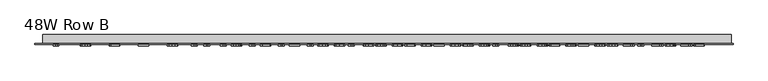
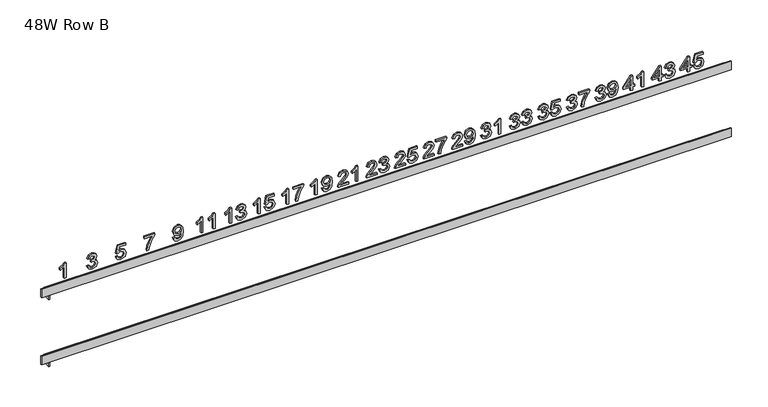
"""IFC4 building model written with IfcOpenShell, lengths in millimetres: furniture geometry, 48W Row B."""

import ifcopenshell
import ifcopenshell.guid

model = None  # the IFC model being written
_history = None  # IfcOwnerHistory: only IFC2X3 demands one
_inside = {}  # id of a spatial element -> (the spatial element, [elements in it])
_under = {}  # id of a project, library or spatial element -> (it, [spatial elements below it])
_declared = {}  # id of a project -> (the project, [libraries it declares])
_typed = {}  # id of a type object -> (the type object, [elements of that type])
_made_of = {}  # id of a material, layer set ... -> (it, [elements and type objects made of it])


def new_model(schema):
    """Start an empty IFC model of exactly this schema.

    Asked for "IFC4X3", IfcOpenShell would pick the latest addendum, in which some entities
    have other attributes; the version numbers below select the first issue.
    IFC2X3 requires an IfcOwnerHistory on every rooted entity: one is made here for all.
    """
    global model, _history
    if schema == "IFC4X3":
        model = ifcopenshell.file(schema_version=(4, 3, 0, 0))
    else:
        model = ifcopenshell.file(schema=schema)
    _inside.clear()
    _under.clear()
    _declared.clear()
    _typed.clear()
    _made_of.clear()
    _history = None
    if model.schema == "IFC2X3":
        org = make("IfcOrganization", Name="unknown")
        user = make(
            "IfcPersonAndOrganization",
            ThePerson=make("IfcPerson", FamilyName="unknown"),
            TheOrganization=org,
        )
        app = make(
            "IfcApplication",
            ApplicationDeveloper=org,
            Version="unknown",
            ApplicationFullName="unknown",
            ApplicationIdentifier="unknown",
        )
        _history = make(
            "IfcOwnerHistory",
            OwningUser=user,
            OwningApplication=app,
            ChangeAction="ADDED",
            CreationDate=0,
        )
    return model


def make(cls, **values):
    """One entity of the class cls with the attributes given. An attribute that is None is left unset."""
    return model.create_entity(
        cls, **{name: value for name, value in values.items() if value is not None}
    )


def rooted(cls, **values):
    """An entity with a GlobalId (a new one), such as an element, a storey or a relation."""
    return make(cls, GlobalId=ifcopenshell.guid.new(), OwnerHistory=_history, **values)


def si_unit(unit_type, name, prefix=None):
    """IfcSIUnit, for example si_unit("LENGTHUNIT", "METRE", prefix="MILLI")."""
    return make("IfcSIUnit", UnitType=unit_type, Prefix=prefix, Name=name)


def assignment(units):
    """IfcUnitAssignment: the units of a project."""
    return None if units is None else make("IfcUnitAssignment", Units=units)


def point(xyz):
    """IfcCartesianPoint."""
    return None if xyz is None else make("IfcCartesianPoint", Coordinates=xyz)


def direction(xyz):
    """IfcDirection."""
    return None if xyz is None else make("IfcDirection", DirectionRatios=xyz)


def frame(location, z_axis=None, x_axis=None):
    """IfcAxis2Placement3D, a coordinate frame: its origin and axes. An axis left out is left unset."""
    return make(
        "IfcAxis2Placement3D",
        Location=point(location),
        Axis=direction(z_axis),
        RefDirection=direction(x_axis),
    )


def origin():
    """The frame at (0, 0, 0) with its axes left unset."""
    return frame((0.0, 0.0, 0.0))


def place(relative_to, where):
    """IfcLocalPlacement: puts the frame where relative to a parent placement (None: the world)."""
    return make(
        "IfcLocalPlacement", PlacementRelTo=relative_to, RelativePlacement=where
    )


def context(
    kind, dimensions, precision=None, world=None, true_north=None, identifier=None
):
    """IfcGeometricRepresentationContext, for example the 3D "Model" context."""
    return make(
        "IfcGeometricRepresentationContext",
        ContextIdentifier=identifier,
        ContextType=kind,
        CoordinateSpaceDimension=dimensions,
        Precision=precision,
        WorldCoordinateSystem=world,
        TrueNorth=true_north,
    )


def project(units=None, contexts=None):
    """IfcProject with its units and contexts."""
    return rooted(
        "IfcProject",
        Name="project",
        RepresentationContexts=contexts,
        UnitsInContext=assignment(units),
    )


def spatial(cls, under=None, at=None, **own):
    """A site, building, storey or space (cls), placed at a placement, below another one or the project."""
    s = rooted(cls, ObjectPlacement=at, **own)
    if under is not None:
        _under.setdefault(under.id(), (under, []))[1].append(s)
    return s


def polyline(points):
    """IfcPolyline through the points."""
    return make("IfcPolyline", Points=[point(p) for p in points])


def outline(outer, holes=None, kind="AREA"):
    """IfcArbitraryClosedProfileDef: a profile drawn as a closed curve; with holes, ...WithVoids."""
    if holes is None:
        return make("IfcArbitraryClosedProfileDef", ProfileType=kind, OuterCurve=outer)
    return make(
        "IfcArbitraryProfileDefWithVoids",
        ProfileType=kind,
        OuterCurve=outer,
        InnerCurves=holes,
    )


def extrude(swept, where, along, depth):
    """IfcExtrudedAreaSolid: the profile swept, set in the frame where, extruded along a direction by depth."""
    return make(
        "IfcExtrudedAreaSolid",
        SweptArea=swept,
        Position=where,
        ExtrudedDirection=direction(along),
        Depth=depth,
    )


def faces_of(points, faces, orient=None, outer=None):
    """IfcFace entities. A face is a list of loops; a loop is a list of indices into points, from 0.

    orient and outer hold one flag for each loop. By default every Orientation is true, the
    first loop of a face is its IfcFaceOuterBound and the others are IfcFaceBound.
    """
    made = []
    for i, loops in enumerate(faces):
        bounds = []
        for j, loop in enumerate(loops):
            is_outer = j == 0 if outer is None else outer[i][j]
            bounds.append(
                make(
                    "IfcFaceOuterBound" if is_outer else "IfcFaceBound",
                    Bound=make("IfcPolyLoop", Polygon=[points[k] for k in loop]),
                    Orientation=True if orient is None else orient[i][j],
                )
            )
        made.append(make("IfcFace", Bounds=bounds))
    return made


def faceted_brep(points, faces, orient=None, outer=None, voids=None):
    """IfcFacetedBrep: a solid bounded by flat faces; with voids (closed shells), ...WithVoids."""
    shared = [point(p) for p in points]
    hull = make("IfcClosedShell", CfsFaces=faces_of(shared, faces, orient, outer))
    if voids is None:
        return make("IfcFacetedBrep", Outer=hull)
    return make(
        "IfcFacetedBrepWithVoids",
        Outer=hull,
        Voids=[
            make(cls, CfsFaces=faces_of(shared, fs, o, b)) for cls, fs, o, b in voids
        ],
    )


def shape(context_of_items, identifier, shape_type, items):
    """IfcShapeRepresentation: the items that make up one representation, for example the "Body"."""
    return make(
        "IfcShapeRepresentation",
        ContextOfItems=context_of_items,
        RepresentationIdentifier=identifier,
        RepresentationType=shape_type,
        Items=items,
    )


def source(mapping_origin, context_of_items, identifier, shape_type, items):
    """IfcRepresentationMap: a shape defined once, which mapped items show again and again."""
    return make(
        "IfcRepresentationMap",
        MappingOrigin=mapping_origin,
        MappedRepresentation=shape(context_of_items, identifier, shape_type, items),
    )


def transform(
    local_origin,
    x_axis=None,
    y_axis=None,
    z_axis=None,
    scale=None,
    scale2=None,
    scale3=None,
    uniform=True,
):
    """IfcCartesianTransformationOperator3D, or its non-uniform kind. x_axis, y_axis, z_axis: its Axis1, 2, 3."""
    if uniform:
        return make(
            "IfcCartesianTransformationOperator3D",
            Axis1=direction(x_axis),
            Axis2=direction(y_axis),
            LocalOrigin=point(local_origin),
            Scale=scale,
            Axis3=direction(z_axis),
        )
    return make(
        "IfcCartesianTransformationOperator3DnonUniform",
        Axis1=direction(x_axis),
        Axis2=direction(y_axis),
        LocalOrigin=point(local_origin),
        Scale=scale,
        Axis3=direction(z_axis),
        Scale2=scale2,
        Scale3=scale3,
    )


def mapped(mapping_source, mapping_target):
    """IfcMappedItem: shows the shape of a source again, moved by a transform."""
    return make(
        "IfcMappedItem", MappingSource=mapping_source, MappingTarget=mapping_target
    )


def made_of(thing, what):
    """Note that an element or type object is made of a material, layer set ...; save() writes the relation."""
    if what is not None:
        _made_of.setdefault(what.id(), (what, []))[1].append(thing)
    return thing


def element(
    cls,
    number,
    at=None,
    inside=None,
    cuts=None,
    type_object=None,
    material=None,
    context=None,
    identifier="Body",
    shape_type=None,
    held_by="IfcProductDefinitionShape",
    body=None,
    shapes=None,
    **own,
):
    """One element of the class cls, such as IfcWall. Its Tag is "e" and its number.

    at: its placement. inside: the storey or other place that contains it. cuts: it is an
    opening in that element (IfcRelVoidsElement). A single representation is given by context,
    identifier, shape_type and body (its items); several are given by shapes. held_by: the class
    of the entity that holds the representations. save() writes the other relations.
    """
    e = rooted(cls, Tag="e%d" % number, ObjectPlacement=at, **own)
    if body is not None:
        shapes = [shape(context, identifier, shape_type, body)]
    if shapes is not None:
        e.Representation = make(held_by, Representations=shapes)
    if inside is not None:
        _inside.setdefault(inside.id(), (inside, []))[1].append(e)
    if cuts is not None:
        rooted(
            "IfcRelVoidsElement", RelatingBuildingElement=cuts, RelatedOpeningElement=e
        )
    if type_object is not None:
        _typed.setdefault(type_object.id(), (type_object, []))[1].append(e)
    return made_of(e, material)


def aggregate(whole, parts):
    """IfcRelAggregates: a whole, such as a stair, and the parts it consists of."""
    return rooted("IfcRelAggregates", RelatingObject=whole, RelatedObjects=parts)


def save(model, path):
    """Write the relations noted so far, then the file.

    IfcRelAggregates (storeys below a building ...), IfcRelContainedInSpatialStructure (elements
    in a storey), IfcRelDefinesByType, IfcRelAssociatesMaterial and IfcRelDeclares: one each for
    every whole, place, type object, material and project.
    """
    for whole, parts in _under.values():
        aggregate(whole, parts)
    for where, things in _inside.values():
        rooted(
            "IfcRelContainedInSpatialStructure",
            RelatedElements=things,
            RelatingStructure=where,
        )
    for kind, things in _typed.values():
        rooted("IfcRelDefinesByType", RelatedObjects=things, RelatingType=kind)
    for what, things in _made_of.values():
        rooted("IfcRelAssociatesMaterial", RelatedObjects=things, RelatingMaterial=what)
    for by, libraries in _declared.values():
        rooted("IfcRelDeclares", RelatingContext=by, RelatedDefinitions=libraries)
    model.write(path)


def furniture_48w_row_b_2dfe8abe(model_context):
    return source(origin(), model_context, "Body", "SolidModel", [
        extrude(outline(polyline([(2094.8904, 502.8912606), (2094.8904, 506.0807484), (2100.8706897, 506.0807484), (2100.8706897, 509.2702363), (2104.0601776, 509.2702363), (2104.0601776, 506.0807484), (2120.0076168, 506.0807484), (2120.0076168, 503.6886326), (2104.0601776, 491.3293671), (2100.8706897, 491.3293671), (2100.8706897, 502.8912606), (2094.8904, 502.8912606)]), holes=[polyline([(2104.0601776, 502.8912606), (2104.0601776, 495.2539323), (2113.9151967, 502.8912606), (2104.0601776, 502.8912606)])]), frame((0.0, -18.25625, 0.0), z_axis=(0.0, 1.0, 0.0), x_axis=(0.0, 0.0, 1.0)), (0.0, 0.0, 1.0), 2.38125),
        extrude(outline(polyline([(2101.6680617, 512.0610382), (2096.4571113, 514.5497108), (2094.491714, 520.1780355), (2097.550383, 526.80619), (2103.4683781, 528.8058494), (2109.3489963, 526.5850438), (2111.6352112, 521.1311442), (2109.7912885, 516.4652723), (2116.8181289, 517.8295259), (2116.8181289, 527.6097914), (2120.0076168, 527.6097914), (2120.0076168, 515.250526), (2106.8509794, 512.4597241), (2106.4522934, 515.649212), (2107.8913007, 517.4401842), (2108.4457234, 520.2403302), (2107.0565519, 524.2801405), (2103.2690351, 525.6163615), (2099.2105364, 524.1898132), (2097.6812019, 520.1904945), (2098.780703, 516.8577289), (2102.0667477, 515.250526), (2101.6680617, 512.0610382)])), frame((0.0, -18.25625, 0.0), z_axis=(0.0, 1.0, 0.0), x_axis=(0.0, 0.0, 1.0)), (0.0, 0.0, 1.0), 2.38125),
        extrude(outline(polyline([(2094.8904, 456.8537606), (2094.8904, 460.0432484), (2100.8706897, 460.0432484), (2100.8706897, 463.2327363), (2104.0601776, 463.2327363), (2104.0601776, 460.0432484), (2120.0076168, 460.0432484), (2120.0076168, 457.6511326), (2104.0601776, 445.2918671), (2100.8706897, 445.2918671), (2100.8706897, 456.8537606), (2094.8904, 456.8537606)]), holes=[polyline([(2104.0601776, 456.8537606), (2104.0601776, 449.2164323), (2113.9151967, 456.8537606), (2104.0601776, 456.8537606)])]), frame((0.0, -18.25625, 0.0), z_axis=(0.0, 1.0, 0.0), x_axis=(0.0, 0.0, 1.0)), (0.0, 0.0, 1.0), 2.38125),
        extrude(outline(polyline([(2101.6680617, 466.0235382), (2096.4913734, 468.5589318), (2094.491714, 474.1529945), (2096.8339942, 480.3263977), (2102.5401873, 482.7683494), (2106.6890132, 481.5473735), (2108.8693272, 478.0713301), (2110.981117, 480.6877069), (2113.9214261, 481.5722914), (2117.1389466, 480.6409859), (2119.5310625, 477.9498555), (2120.4063028, 474.1031587), (2118.6309043, 469.0323714), (2113.6286411, 466.4222241), (2113.2299551, 469.611712), (2116.2201, 471.1753086), (2117.2168149, 474.2152892), (2116.2294442, 477.217893), (2113.7345421, 478.3828036), (2110.9188223, 476.7756007), (2110.0404673, 472.6454631), (2106.8509794, 472.2903834), (2107.1998297, 474.5267626), (2105.894756, 478.1523132), (2102.5962525, 479.5788615), (2099.0952912, 478.1398543), (2097.6812019, 474.2651249), (2098.7090642, 470.9728508), (2102.0667477, 469.213026), (2101.6680617, 466.0235382)])), frame((0.0, -18.25625, 0.0), z_axis=(0.0, 1.0, 0.0), x_axis=(0.0, 0.0, 1.0)), (0.0, 0.0, 1.0), 2.38125),
        extrude(outline(polyline([(2094.8904, 410.8162606), (2094.8904, 414.0057484), (2100.8706897, 414.0057484), (2100.8706897, 417.1952363), (2104.0601776, 417.1952363), (2104.0601776, 414.0057484), (2120.0076168, 414.0057484), (2120.0076168, 411.6136326), (2104.0601776, 399.2543671), (2100.8706897, 399.2543671), (2100.8706897, 410.8162606), (2094.8904, 410.8162606)]), holes=[polyline([(2104.0601776, 410.8162606), (2104.0601776, 403.1789323), (2113.9151967, 410.8162606), (2104.0601776, 410.8162606)])]), frame((0.0, -18.25625, 0.0), z_axis=(0.0, 1.0, 0.0), x_axis=(0.0, 0.0, 1.0)), (0.0, 0.0, 1.0), 2.38125),
        extrude(outline(polyline([(2094.8904, 431.9466176), (2120.4063028, 431.9466176), (2120.4063028, 429.890893), (2117.0112425, 427.0533701), (2114.0273271, 422.378154), (2111.0122644, 422.378154), (2112.6225819, 425.7358375), (2114.7748633, 428.7571297), (2094.8904, 428.7571297), (2094.8904, 431.9466176)])), frame((0.0, -18.25625, 0.0), z_axis=(0.0, 1.0, 0.0), x_axis=(0.0, 0.0, 1.0)), (0.0, 0.0, 1.0), 2.38125),
        extrude(outline(polyline([(2101.6680617, 354.4129251), (2096.4913734, 356.9483187), (2094.491714, 362.5423814), (2096.8339942, 368.7157847), (2102.5401873, 371.1577363), (2106.6890132, 369.9367605), (2108.8693272, 366.4607171), (2110.981117, 369.0770938), (2113.9214261, 369.9616783), (2117.1389466, 369.0303728), (2119.5310625, 366.3392424), (2120.4063028, 362.4925457), (2118.6309043, 357.4217584), (2113.6286411, 354.8116111), (2113.2299551, 358.0010989), (2116.2201, 359.5646955), (2117.2168149, 362.6046761), (2116.2294442, 365.6072799), (2113.7345421, 366.7721905), (2110.9188223, 365.1649876), (2110.0404673, 361.0348501), (2106.8509794, 360.6797704), (2107.1998297, 362.9161495), (2105.894756, 366.5417002), (2102.5962525, 367.9682484), (2099.0952912, 366.5292412), (2097.6812019, 362.6545119), (2098.7090642, 359.3622378), (2102.0667477, 357.6024129), (2101.6680617, 354.4129251)])), frame((0.0, -18.25625, 0.0), z_axis=(0.0, 1.0, 0.0), x_axis=(0.0, 0.0, 1.0)), (0.0, 0.0, 1.0), 2.38125),
        extrude(outline(polyline([(2101.2693757, 374.3472241), (2096.2702273, 376.6334391), (2094.491714, 381.5360307), (2095.9992454, 386.4604255), (2100.3879059, 389.6281102), (2108.1342499, 390.6933494), (2115.2732208, 389.6249955), (2119.0731965, 386.4978023), (2120.4063028, 381.9534051), (2118.0702521, 376.2316383), (2111.9030783, 373.9485382), (2105.9290181, 376.1257374), (2103.6614916, 381.4550476), (2104.5896824, 384.9528942), (2106.3837693, 387.5225499), (2102.683465, 387.0615692), (2099.9113516, 386.0181333), (2098.288575, 384.2676526), (2097.6812019, 381.685538), (2098.6249663, 378.9694897), (2101.6680617, 377.536712), (2101.2693757, 374.3472241)]), holes=[polyline([(2111.977832, 387.5038615), (2108.2121183, 386.0617396), (2106.8509794, 382.3832384), (2108.2121183, 378.5521153), (2111.7473416, 377.138026), (2115.6937099, 378.6330984), (2117.2168149, 382.470451), (2115.8027256, 386.127149), (2111.977832, 387.5038615)])]), frame((0.0, -18.25625, 0.0), z_axis=(0.0, 1.0, 0.0), x_axis=(0.0, 0.0, 1.0)), (0.0, 0.0, 1.0), 2.38125),
        extrude(outline(polyline([(2101.6680617, 308.3754251), (2096.4913734, 310.9108187), (2094.491714, 316.5048814), (2096.8339942, 322.6782847), (2102.5401873, 325.1202363), (2106.6890132, 323.8992605), (2108.8693272, 320.4232171), (2110.981117, 323.0395938), (2113.9214261, 323.9241783), (2117.1389466, 322.9928728), (2119.5310625, 320.3017424), (2120.4063028, 316.4550457), (2118.6309043, 311.3842584), (2113.6286411, 308.7741111), (2113.2299551, 311.9635989), (2116.2201, 313.5271955), (2117.2168149, 316.5671761), (2116.2294442, 319.5697799), (2113.7345421, 320.7346905), (2110.9188223, 319.1274876), (2110.0404673, 314.9973501), (2106.8509794, 314.6422704), (2107.1998297, 316.8786495), (2105.894756, 320.5042002), (2102.5962525, 321.9307484), (2099.0952912, 320.4917412), (2097.6812019, 316.6170119), (2098.7090642, 313.3247378), (2102.0667477, 311.5649129), (2101.6680617, 308.3754251)])), frame((0.0, -18.25625, 0.0), z_axis=(0.0, 1.0, 0.0), x_axis=(0.0, 0.0, 1.0)), (0.0, 0.0, 1.0), 2.38125),
        extrude(outline(polyline([(2116.8181289, 327.9110382), (2116.8181289, 341.4663615), (2110.2180071, 336.6447529), (2102.0854361, 333.1655948), (2094.8904, 331.897898), (2094.8904, 335.0873858), (2101.8237984, 336.2709848), (2110.5668574, 339.9058797), (2117.4286169, 344.6558494), (2120.0076168, 344.6558494), (2120.0076168, 327.9110382), (2116.8181289, 327.9110382)])), frame((0.0, -18.25625, 0.0), z_axis=(0.0, 1.0, 0.0), x_axis=(0.0, 0.0, 1.0)), (0.0, 0.0, 1.0), 2.38125),
        extrude(outline(polyline([(2101.6680617, 262.3379251), (2096.4913734, 264.8733187), (2094.491714, 270.4673814), (2096.8339942, 276.6407847), (2102.5401873, 279.0827363), (2106.6890132, 277.8617605), (2108.8693272, 274.3857171), (2110.981117, 277.0020938), (2113.9214261, 277.8866783), (2117.1389466, 276.9553728), (2119.5310625, 274.2642424), (2120.4063028, 270.4175457), (2118.6309043, 265.3467584), (2113.6286411, 262.7366111), (2113.2299551, 265.9260989), (2116.2201, 267.4896955), (2117.2168149, 270.5296761), (2116.2294442, 273.5322799), (2113.7345421, 274.6971905), (2110.9188223, 273.0899876), (2110.0404673, 268.9598501), (2106.8509794, 268.6047704), (2107.1998297, 270.8411495), (2105.894756, 274.4667002), (2102.5962525, 275.8932484), (2099.0952912, 274.4542412), (2097.6812019, 270.5795119), (2098.7090642, 267.2872378), (2102.0667477, 265.5274129), (2101.6680617, 262.3379251)])), frame((0.0, -18.25625, 0.0), z_axis=(0.0, 1.0, 0.0), x_axis=(0.0, 0.0, 1.0)), (0.0, 0.0, 1.0), 2.38125),
        extrude(outline(polyline([(2101.6680617, 281.8735382), (2096.4571113, 284.3622108), (2094.491714, 289.9905355), (2097.550383, 296.61869), (2103.4683781, 298.6183494), (2109.3489963, 296.3975438), (2111.6352112, 290.9436442), (2109.7912885, 286.2777723), (2116.8181289, 287.6420259), (2116.8181289, 297.4222914), (2120.0076168, 297.4222914), (2120.0076168, 285.063026), (2106.8509794, 282.2722241), (2106.4522934, 285.461712), (2107.8913007, 287.2526842), (2108.4457234, 290.0528302), (2107.0565519, 294.0926405), (2103.2690351, 295.4288615), (2099.2105364, 294.0023132), (2097.6812019, 290.0029945), (2098.780703, 286.6702289), (2102.0667477, 285.063026), (2101.6680617, 281.8735382)])), frame((0.0, -18.25625, 0.0), z_axis=(0.0, 1.0, 0.0), x_axis=(0.0, 0.0, 1.0)), (0.0, 0.0, 1.0), 2.38125),
        extrude(outline(polyline([(2101.6680617, 216.3004251), (2096.4913734, 218.8358187), (2094.491714, 224.4298814), (2096.8339942, 230.6032847), (2102.5401873, 233.0452363), (2106.6890132, 231.8242605), (2108.8693272, 228.3482171), (2110.981117, 230.9645938), (2113.9214261, 231.8491783), (2117.1389466, 230.9178728), (2119.5310625, 228.2267424), (2120.4063028, 224.3800457), (2118.6309043, 219.3092584), (2113.6286411, 216.6991111), (2113.2299551, 219.8885989), (2116.2201, 221.4521955), (2117.2168149, 224.4921761), (2116.2294442, 227.4947799), (2113.7345421, 228.6596905), (2110.9188223, 227.0524876), (2110.0404673, 222.9223501), (2106.8509794, 222.5672704), (2107.1998297, 224.8036495), (2105.894756, 228.4292002), (2102.5962525, 229.8557484), (2099.0952912, 228.4167412), (2097.6812019, 224.5420119), (2098.7090642, 221.2497378), (2102.0667477, 219.4899129), (2101.6680617, 216.3004251)])), frame((0.0, -18.25625, 0.0), z_axis=(0.0, 1.0, 0.0), x_axis=(0.0, 0.0, 1.0)), (0.0, 0.0, 1.0), 2.38125),
        extrude(outline(polyline([(2101.6680617, 235.8360382), (2096.4913734, 238.3714318), (2094.491714, 243.9654945), (2096.8339942, 250.1388977), (2102.5401873, 252.5808494), (2106.6890132, 251.3598735), (2108.8693272, 247.8838301), (2110.981117, 250.5002069), (2113.9214261, 251.3847914), (2117.1389466, 250.4534859), (2119.5310625, 247.7623555), (2120.4063028, 243.9156587), (2118.6309043, 238.8448714), (2113.6286411, 236.2347241), (2113.2299551, 239.424212), (2116.2201, 240.9878086), (2117.2168149, 244.0277892), (2116.2294442, 247.030393), (2113.7345421, 248.1953036), (2110.9188223, 246.5881007), (2110.0404673, 242.4579631), (2106.8509794, 242.1028834), (2107.1998297, 244.3392626), (2105.894756, 247.9648132), (2102.5962525, 249.3913615), (2099.0952912, 247.9523543), (2097.6812019, 244.0776249), (2098.7090642, 240.7853508), (2102.0667477, 239.025526), (2101.6680617, 235.8360382)])), frame((0.0, -18.25625, 0.0), z_axis=(0.0, 1.0, 0.0), x_axis=(0.0, 0.0, 1.0)), (0.0, 0.0, 1.0), 2.38125),
        extrude(outline(polyline([(2101.6680617, 170.2629251), (2096.4913734, 172.7983187), (2094.491714, 178.3923814), (2096.8339942, 184.5657847), (2102.5401873, 187.0077363), (2106.6890132, 185.7867605), (2108.8693272, 182.3107171), (2110.981117, 184.9270938), (2113.9214261, 185.8116783), (2117.1389466, 184.8803728), (2119.5310625, 182.1892424), (2120.4063028, 178.3425457), (2118.6309043, 173.2717584), (2113.6286411, 170.6616111), (2113.2299551, 173.8510989), (2116.2201, 175.4146955), (2117.2168149, 178.4546761), (2116.2294442, 181.4572799), (2113.7345421, 182.6221905), (2110.9188223, 181.0149876), (2110.0404673, 176.8848501), (2106.8509794, 176.5297704), (2107.1998297, 178.7661495), (2105.894756, 182.3917002), (2102.5962525, 183.8182484), (2099.0952912, 182.3792412), (2097.6812019, 178.5045119), (2098.7090642, 175.2122378), (2102.0667477, 173.4524129), (2101.6680617, 170.2629251)])), frame((0.0, -18.25625, 0.0), z_axis=(0.0, 1.0, 0.0), x_axis=(0.0, 0.0, 1.0)), (0.0, 0.0, 1.0), 2.38125),
        extrude(outline(polyline([(2094.8904, 201.7591176), (2120.4063028, 201.7591176), (2120.4063028, 199.703393), (2117.0112425, 196.8658701), (2114.0273271, 192.190654), (2111.0122644, 192.190654), (2112.6225819, 195.5483375), (2114.7748633, 198.5696297), (2094.8904, 198.5696297), (2094.8904, 201.7591176)])), frame((0.0, -18.25625, 0.0), z_axis=(0.0, 1.0, 0.0), x_axis=(0.0, 0.0, 1.0)), (0.0, 0.0, 1.0), 2.38125),
        extrude(outline(polyline([(2098.0798878, 140.5715503), (2098.0798878, 128.0440893), (2099.7026644, 129.4830965), (2102.7706776, 133.1522534), (2107.1406497, 137.7215685), (2110.2678429, 139.6059827), (2113.2922498, 140.1728643), (2118.3630371, 138.0704187), (2120.4063028, 132.3611109), (2118.5686096, 126.6704915), (2113.2299551, 124.2254251), (2112.8312691, 127.4149129), (2116.0519043, 128.7573634), (2117.2168149, 132.2925867), (2116.0238717, 135.6845323), (2113.0991363, 136.9833765), (2109.4860446, 135.606664), (2104.172308, 130.0998138), (2100.4751185, 126.1067246), (2097.0894024, 124.1693599), (2094.8904, 123.8267391), (2094.8904, 140.5715503), (2098.0798878, 140.5715503)])), frame((0.0, -18.25625, 0.0), z_axis=(0.0, 1.0, 0.0), x_axis=(0.0, 0.0, 1.0)), (0.0, 0.0, 1.0), 2.38125),
        extrude(outline(polyline([(2101.2693757, 144.1597241), (2096.2702273, 146.4459391), (2094.491714, 151.3485307), (2095.9992454, 156.2729255), (2100.3879059, 159.4406102), (2108.1342499, 160.5058494), (2115.2732208, 159.4374955), (2119.0731965, 156.3103023), (2120.4063028, 151.7659051), (2118.0702521, 146.0441383), (2111.9030783, 143.7610382), (2105.9290181, 145.9382374), (2103.6614916, 151.2675476), (2104.5896824, 154.7653942), (2106.3837693, 157.3350499), (2102.683465, 156.8740692), (2099.9113516, 155.8306333), (2098.288575, 154.0801526), (2097.6812019, 151.498038), (2098.6249663, 148.7819897), (2101.6680617, 147.349212), (2101.2693757, 144.1597241)]), holes=[polyline([(2111.977832, 157.3163615), (2108.2121183, 155.8742396), (2106.8509794, 152.1957384), (2108.2121183, 148.3646153), (2111.7473416, 146.950526), (2115.6937099, 148.4455984), (2117.2168149, 152.282951), (2115.8027256, 155.939649), (2111.977832, 157.3163615)])]), frame((0.0, -18.25625, 0.0), z_axis=(0.0, 1.0, 0.0), x_axis=(0.0, 0.0, 1.0)), (0.0, 0.0, 1.0), 2.38125),
        extrude(outline(polyline([(2098.0798878, 94.5340503), (2098.0798878, 82.0065893), (2099.7026644, 83.4455965), (2102.7706776, 87.1147534), (2107.1406497, 91.6840685), (2110.2678429, 93.5684827), (2113.2922498, 94.1353643), (2118.3630371, 92.0329187), (2120.4063028, 86.3236109), (2118.5686096, 80.6329915), (2113.2299551, 78.1879251), (2112.8312691, 81.3774129), (2116.0519043, 82.7198634), (2117.2168149, 86.2550867), (2116.0238717, 89.6470323), (2113.0991363, 90.9458765), (2109.4860446, 89.569164), (2104.172308, 84.0623138), (2100.4751185, 80.0692246), (2097.0894024, 78.1318599), (2094.8904, 77.7892391), (2094.8904, 94.5340503), (2098.0798878, 94.5340503)])), frame((0.0, -18.25625, 0.0), z_axis=(0.0, 1.0, 0.0), x_axis=(0.0, 0.0, 1.0)), (0.0, 0.0, 1.0), 2.38125),
        extrude(outline(polyline([(2116.8181289, 97.7235382), (2116.8181289, 111.2788615), (2110.2180071, 106.4572529), (2102.0854361, 102.9780948), (2094.8904, 101.710398), (2094.8904, 104.8998858), (2101.8237984, 106.0834848), (2110.5668574, 109.7183797), (2117.4286169, 114.4683494), (2120.0076168, 114.4683494), (2120.0076168, 97.7235382), (2116.8181289, 97.7235382)])), frame((0.0, -18.25625, 0.0), z_axis=(0.0, 1.0, 0.0), x_axis=(0.0, 0.0, 1.0)), (0.0, 0.0, 1.0), 2.38125),
        extrude(outline(polyline([(2098.0798878, 48.4965503), (2098.0798878, 35.9690893), (2099.7026644, 37.4080965), (2102.7706776, 41.0772534), (2107.1406497, 45.6465685), (2110.2678429, 47.5309827), (2113.2922498, 48.0978643), (2118.3630371, 45.9954187), (2120.4063028, 40.2861109), (2118.5686096, 34.5954915), (2113.2299551, 32.1504251), (2112.8312691, 35.3399129), (2116.0519043, 36.6823634), (2117.2168149, 40.2175867), (2116.0238717, 43.6095323), (2113.0991363, 44.9083765), (2109.4860446, 43.531664), (2104.172308, 38.0248138), (2100.4751185, 34.0317246), (2097.0894024, 32.0943599), (2094.8904, 31.7517391), (2094.8904, 48.4965503), (2098.0798878, 48.4965503)])), frame((0.0, -18.25625, 0.0), z_axis=(0.0, 1.0, 0.0), x_axis=(0.0, 0.0, 1.0)), (0.0, 0.0, 1.0), 2.38125),
        extrude(outline(polyline([(2101.6680617, 51.6860382), (2096.4571113, 54.1747108), (2094.491714, 59.8030355), (2097.550383, 66.43119), (2103.4683781, 68.4308494), (2109.3489963, 66.2100438), (2111.6352112, 60.7561442), (2109.7912885, 56.0902723), (2116.8181289, 57.4545259), (2116.8181289, 67.2347914), (2120.0076168, 67.2347914), (2120.0076168, 54.875526), (2106.8509794, 52.0847241), (2106.4522934, 55.274212), (2107.8913007, 57.0651842), (2108.4457234, 59.8653302), (2107.0565519, 63.9051405), (2103.2690351, 65.2413615), (2099.2105364, 63.8148132), (2097.6812019, 59.8154945), (2098.780703, 56.4827289), (2102.0667477, 54.875526), (2101.6680617, 51.6860382)])), frame((0.0, -18.25625, 0.0), z_axis=(0.0, 1.0, 0.0), x_axis=(0.0, 0.0, 1.0)), (0.0, 0.0, 1.0), 2.38125),
        extrude(outline(polyline([(2098.0798878, 2.4590503), (2098.0798878, -10.0684107), (2099.7026644, -8.6294035), (2102.7706776, -4.9602466), (2107.1406497, -0.3909315), (2110.2678429, 1.4934827), (2113.2922498, 2.0603643), (2118.3630371, -0.0420813), (2120.4063028, -5.7513891), (2118.5686096, -11.4420085), (2113.2299551, -13.8870749), (2112.8312691, -10.6975871), (2116.0519043, -9.3551366), (2117.2168149, -5.8199133), (2116.0238717, -2.4279677), (2113.0991363, -1.1291235), (2109.4860446, -2.505836), (2104.172308, -8.0126862), (2100.4751185, -12.0057754), (2097.0894024, -13.9431401), (2094.8904, -14.2857609), (2094.8904, 2.4590503), (2098.0798878, 2.4590503)])), frame((0.0, -18.25625, 0.0), z_axis=(0.0, 1.0, 0.0), x_axis=(0.0, 0.0, 1.0)), (0.0, 0.0, 1.0), 2.38125),
        extrude(outline(polyline([(2101.6680617, 5.6485382), (2096.4913734, 8.1839318), (2094.491714, 13.7779945), (2096.8339942, 19.9513977), (2102.5401873, 22.3933494), (2106.6890132, 21.1723735), (2108.8693272, 17.6963301), (2110.981117, 20.3127069), (2113.9214261, 21.1972914), (2117.1389466, 20.2659859), (2119.5310625, 17.5748555), (2120.4063028, 13.7281587), (2118.6309043, 8.6573714), (2113.6286411, 6.0472241), (2113.2299551, 9.236712), (2116.2201, 10.8003086), (2117.2168149, 13.8402892), (2116.2294442, 16.842893), (2113.7345421, 18.0078036), (2110.9188223, 16.4006007), (2110.0404673, 12.2704631), (2106.8509794, 11.9153834), (2107.1998297, 14.1517626), (2105.894756, 17.7773132), (2102.5962525, 19.2038615), (2099.0952912, 17.7648543), (2097.6812019, 13.8901249), (2098.7090642, 10.5978508), (2102.0667477, 8.838026), (2101.6680617, 5.6485382)])), frame((0.0, -18.25625, 0.0), z_axis=(0.0, 1.0, 0.0), x_axis=(0.0, 0.0, 1.0)), (0.0, 0.0, 1.0), 2.38125),
        extrude(outline(polyline([(2098.0798878, -43.5784497), (2098.0798878, -56.1059107), (2099.7026644, -54.6669035), (2102.7706776, -50.9977466), (2107.1406497, -46.4284315), (2110.2678429, -44.5440173), (2113.2922498, -43.9771357), (2118.3630371, -46.0795813), (2120.4063028, -51.7888891), (2118.5686096, -57.4795085), (2113.2299551, -59.9245749), (2112.8312691, -56.7350871), (2116.0519043, -55.3926366), (2117.2168149, -51.8574133), (2116.0238717, -48.4654677), (2113.0991363, -47.1666235), (2109.4860446, -48.543336), (2104.172308, -54.0501862), (2100.4751185, -58.0432754), (2097.0894024, -59.9806401), (2094.8904, -60.3232609), (2094.8904, -43.5784497), (2098.0798878, -43.5784497)])), frame((0.0, -18.25625, 0.0), z_axis=(0.0, 1.0, 0.0), x_axis=(0.0, 0.0, 1.0)), (0.0, 0.0, 1.0), 2.38125),
        extrude(outline(polyline([(2094.8904, -28.4283824), (2120.4063028, -28.4283824), (2120.4063028, -30.484107), (2117.0112425, -33.3216299), (2114.0273271, -37.996846), (2111.0122644, -37.996846), (2112.6225819, -34.6391625), (2114.7748633, -31.6178703), (2094.8904, -31.6178703), (2094.8904, -28.4283824)])), frame((0.0, -18.25625, 0.0), z_axis=(0.0, 1.0, 0.0), x_axis=(0.0, 0.0, 1.0)), (0.0, 0.0, 1.0), 2.38125),
        extrude(outline(polyline([(2094.8904, -94.0014955), (2120.4063028, -94.0014955), (2120.4063028, -96.0572201), (2117.0112425, -98.894743), (2114.0273271, -103.569959), (2111.0122644, -103.569959), (2112.6225819, -100.2122755), (2114.7748633, -97.1909833), (2094.8904, -97.1909833), (2094.8904, -94.0014955)])), frame((0.0, -18.25625, 0.0), z_axis=(0.0, 1.0, 0.0), x_axis=(0.0, 0.0, 1.0)), (0.0, 0.0, 1.0), 2.38125),
        extrude(outline(polyline([(2101.2693757, -86.0277759), (2096.2702273, -83.7415609), (2094.491714, -78.8389693), (2095.9992454, -73.9145745), (2100.3879059, -70.7468898), (2108.1342499, -69.6816506), (2115.2732208, -70.7500045), (2119.0731965, -73.8771977), (2120.4063028, -78.4215949), (2118.0702521, -84.1433617), (2111.9030783, -86.4264618), (2105.9290181, -84.2492626), (2103.6614916, -78.9199524), (2104.5896824, -75.4221058), (2106.3837693, -72.8524501), (2102.683465, -73.3134308), (2099.9113516, -74.3568667), (2098.288575, -76.1073474), (2097.6812019, -78.689462), (2098.6249663, -81.4055103), (2101.6680617, -82.838288), (2101.2693757, -86.0277759)]), holes=[polyline([(2111.977832, -72.8711385), (2108.2121183, -74.3132604), (2106.8509794, -77.9917616), (2108.2121183, -81.8228847), (2111.7473416, -83.236974), (2115.6937099, -81.7419016), (2117.2168149, -77.904549), (2115.8027256, -74.247851), (2111.977832, -72.8711385)])]), frame((0.0, -18.25625, 0.0), z_axis=(0.0, 1.0, 0.0), x_axis=(0.0, 0.0, 1.0)), (0.0, 0.0, 1.0), 2.38125),
        extrude(outline(polyline([(2094.8904, -140.0389955), (2120.4063028, -140.0389955), (2120.4063028, -142.0947201), (2117.0112425, -144.932243), (2114.0273271, -149.607459), (2111.0122644, -149.607459), (2112.6225819, -146.2497755), (2114.7748633, -143.2284833), (2094.8904, -143.2284833), (2094.8904, -140.0389955)])), frame((0.0, -18.25625, 0.0), z_axis=(0.0, 1.0, 0.0), x_axis=(0.0, 0.0, 1.0)), (0.0, 0.0, 1.0), 2.38125),
        extrude(outline(polyline([(2116.8181289, -132.4639618), (2116.8181289, -118.9086385), (2110.2180071, -123.7302471), (2102.0854361, -127.2094052), (2094.8904, -128.477102), (2094.8904, -125.2876142), (2101.8237984, -124.1040152), (2110.5668574, -120.4691203), (2117.4286169, -115.7191506), (2120.0076168, -115.7191506), (2120.0076168, -132.4639618), (2116.8181289, -132.4639618)])), frame((0.0, -18.25625, 0.0), z_axis=(0.0, 1.0, 0.0), x_axis=(0.0, 0.0, 1.0)), (0.0, 0.0, 1.0), 2.38125),
        extrude(outline(polyline([(2094.8904, -186.0764955), (2120.4063028, -186.0764955), (2120.4063028, -188.1322201), (2117.0112425, -190.969743), (2114.0273271, -195.644959), (2111.0122644, -195.644959), (2112.6225819, -192.2872755), (2114.7748633, -189.2659833), (2094.8904, -189.2659833), (2094.8904, -186.0764955)])), frame((0.0, -18.25625, 0.0), z_axis=(0.0, 1.0, 0.0), x_axis=(0.0, 0.0, 1.0)), (0.0, 0.0, 1.0), 2.38125),
        extrude(outline(polyline([(2101.6680617, -178.5014618), (2096.4571113, -176.0127892), (2094.491714, -170.3844645), (2097.550383, -163.75631), (2103.4683781, -161.7566506), (2109.3489963, -163.9774562), (2111.6352112, -169.4313558), (2109.7912885, -174.0972277), (2116.8181289, -172.7329741), (2116.8181289, -162.9527086), (2120.0076168, -162.9527086), (2120.0076168, -175.311974), (2106.8509794, -178.1027759), (2106.4522934, -174.913288), (2107.8913007, -173.1223158), (2108.4457234, -170.3221698), (2107.0565519, -166.2823595), (2103.2690351, -164.9461385), (2099.2105364, -166.3726868), (2097.6812019, -170.3720055), (2098.780703, -173.7047711), (2102.0667477, -175.311974), (2101.6680617, -178.5014618)])), frame((0.0, -18.25625, 0.0), z_axis=(0.0, 1.0, 0.0), x_axis=(0.0, 0.0, 1.0)), (0.0, 0.0, 1.0), 2.38125),
        extrude(outline(polyline([(2094.8904, -232.1139955), (2120.4063028, -232.1139955), (2120.4063028, -234.1697201), (2117.0112425, -237.007243), (2114.0273271, -241.682459), (2111.0122644, -241.682459), (2112.6225819, -238.3247755), (2114.7748633, -235.3034833), (2094.8904, -235.3034833), (2094.8904, -232.1139955)])), frame((0.0, -18.25625, 0.0), z_axis=(0.0, 1.0, 0.0), x_axis=(0.0, 0.0, 1.0)), (0.0, 0.0, 1.0), 2.38125),
        extrude(outline(polyline([(2101.6680617, -224.5389618), (2096.4913734, -222.0035682), (2094.491714, -216.4095055), (2096.8339942, -210.2361023), (2102.5401873, -207.7941506), (2106.6890132, -209.0151265), (2108.8693272, -212.4911699), (2110.981117, -209.8747931), (2113.9214261, -208.9902086), (2117.1389466, -209.9215141), (2119.5310625, -212.6126445), (2120.4063028, -216.4593413), (2118.6309043, -221.5301286), (2113.6286411, -224.1402759), (2113.2299551, -220.950788), (2116.2201, -219.3871914), (2117.2168149, -216.3472108), (2116.2294442, -213.344607), (2113.7345421, -212.1796964), (2110.9188223, -213.7868993), (2110.0404673, -217.9170369), (2106.8509794, -218.2721166), (2107.1998297, -216.0357374), (2105.894756, -212.4101868), (2102.5962525, -210.9836385), (2099.0952912, -212.4226457), (2097.6812019, -216.2973751), (2098.7090642, -219.5896492), (2102.0667477, -221.349474), (2101.6680617, -224.5389618)])), frame((0.0, -18.25625, 0.0), z_axis=(0.0, 1.0, 0.0), x_axis=(0.0, 0.0, 1.0)), (0.0, 0.0, 1.0), 2.38125),
        extrude(outline(polyline([(2094.8904, -278.1514955), (2120.4063028, -278.1514955), (2120.4063028, -280.2072201), (2117.0112425, -283.044743), (2114.0273271, -287.719959), (2111.0122644, -287.719959), (2112.6225819, -284.3622755), (2114.7748633, -281.3409833), (2094.8904, -281.3409833), (2094.8904, -278.1514955)])), frame((0.0, -18.25625, 0.0), z_axis=(0.0, 1.0, 0.0), x_axis=(0.0, 0.0, 1.0)), (0.0, 0.0, 1.0), 2.38125),
        extrude(outline(polyline([(2094.8904, -258.6158824), (2120.4063028, -258.6158824), (2120.4063028, -260.671607), (2117.0112425, -263.5091299), (2114.0273271, -268.184346), (2111.0122644, -268.184346), (2112.6225819, -264.8266625), (2114.7748633, -261.8053703), (2094.8904, -261.8053703), (2094.8904, -258.6158824)])), frame((0.0, -18.25625, 0.0), z_axis=(0.0, 1.0, 0.0), x_axis=(0.0, 0.0, 1.0)), (0.0, 0.0, 1.0), 2.38125),
        extrude(outline(polyline([(2101.2693757, -325.9830824), (2096.2702273, -323.6968675), (2094.491714, -318.7942758), (2095.9992454, -313.869881), (2100.3879059, -310.7021963), (2108.1342499, -309.6369572), (2115.2732208, -310.705311), (2119.0731965, -313.8325042), (2120.4063028, -318.3769014), (2118.0702521, -324.0986682), (2111.9030783, -326.3817684), (2105.9290181, -324.2045692), (2103.6614916, -318.8752589), (2104.5896824, -315.3774124), (2106.3837693, -312.8077566), (2102.683465, -313.2687373), (2099.9113516, -314.3121733), (2098.288575, -316.0626539), (2097.6812019, -318.6447686), (2098.6249663, -321.3608168), (2101.6680617, -322.7935946), (2101.2693757, -325.9830824)]), holes=[polyline([(2111.977832, -312.826445), (2108.2121183, -314.268567), (2106.8509794, -317.9470681), (2108.2121183, -321.7781912), (2111.7473416, -323.1922805), (2115.6937099, -321.6972081), (2117.2168149, -317.8598555), (2115.8027256, -314.2031576), (2111.977832, -312.826445)])]), frame((0.0, -18.25625, 0.0), z_axis=(0.0, 1.0, 0.0), x_axis=(0.0, 0.0, 1.0)), (0.0, 0.0, 1.0), 2.38125),
        extrude(outline(polyline([(2116.8181289, -372.4192684), (2116.8181289, -358.863945), (2110.2180071, -363.6855536), (2102.0854361, -367.1647117), (2094.8904, -368.4324086), (2094.8904, -365.2429207), (2101.8237984, -364.0593217), (2110.5668574, -360.4244269), (2117.4286169, -355.6744572), (2120.0076168, -355.6744572), (2120.0076168, -372.4192684), (2116.8181289, -372.4192684)])), frame((0.0, -18.25625, 0.0), z_axis=(0.0, 1.0, 0.0), x_axis=(0.0, 0.0, 1.0)), (0.0, 0.0, 1.0), 2.38125),
        extrude(outline(polyline([(2101.6680617, -418.4567684), (2096.4571113, -415.9680957), (2094.491714, -410.339771), (2097.550383, -403.7116166), (2103.4683781, -401.7119572), (2109.3489963, -403.9327627), (2111.6352112, -409.3866623), (2109.7912885, -414.0525342), (2116.8181289, -412.6882806), (2116.8181289, -402.9080151), (2120.0076168, -402.9080151), (2120.0076168, -415.2672805), (2106.8509794, -418.0580824), (2106.4522934, -414.8685946), (2107.8913007, -413.0776224), (2108.4457234, -410.2774763), (2107.0565519, -406.237666), (2103.2690351, -404.901445), (2099.2105364, -406.3279933), (2097.6812019, -410.327312), (2098.780703, -413.6600777), (2102.0667477, -415.2672805), (2101.6680617, -418.4567684)])), frame((0.0, -18.25625, 0.0), z_axis=(0.0, 1.0, 0.0), x_axis=(0.0, 0.0, 1.0)), (0.0, 0.0, 1.0), 2.38125),
        extrude(outline(polyline([(2101.6680617, -464.4942684), (2096.4913734, -461.9588747), (2094.491714, -456.364812), (2096.8339942, -450.1914088), (2102.5401873, -447.7494572), (2106.6890132, -448.970433), (2108.8693272, -452.4464764), (2110.981117, -449.8300996), (2113.9214261, -448.9455151), (2117.1389466, -449.8768207), (2119.5310625, -452.567951), (2120.4063028, -456.4146478), (2118.6309043, -461.4854351), (2113.6286411, -464.0955824), (2113.2299551, -460.9060946), (2116.2201, -459.342498), (2117.2168149, -456.3025174), (2116.2294442, -453.2999136), (2113.7345421, -452.135003), (2110.9188223, -453.7422058), (2110.0404673, -457.8723434), (2106.8509794, -458.2274231), (2107.1998297, -455.9910439), (2105.894756, -452.3654933), (2102.5962525, -450.938945), (2099.0952912, -452.3779522), (2097.6812019, -456.2526816), (2098.7090642, -459.5449557), (2102.0667477, -461.3047805), (2101.6680617, -464.4942684)])), frame((0.0, -18.25625, 0.0), z_axis=(0.0, 1.0, 0.0), x_axis=(0.0, 0.0, 1.0)), (0.0, 0.0, 1.0), 2.38125),
        extrude(outline(polyline([(2094.8904, -498.6463981), (2119.8996308, -498.6463981), (2119.8996308, -500.6613019), (2116.5719865, -503.4424798), (2113.6473231, -508.0248596), (2110.6921308, -508.0248596), (2112.2704721, -504.73385), (2114.3800154, -501.7725519), (2094.8904, -501.7725519), (2094.8904, -498.6463981)])), frame((0.0, -18.25625, 0.0), z_axis=(0.0, 1.0, 0.0), x_axis=(0.0, 0.0, 1.0)), (0.0, 0.0, 1.0), 2.38125),
        faceted_brep([(-524.1873583, -13.9699322, 1948.7951562), (-522.2823681, -13.9699322, 1948.7951562), (-522.2823681, -13.9699322, 1958.0866403), (-524.1873583, -13.9699322, 1958.0866403), (-524.1873583, 0.0, 1948.7951562), (-524.1873583, 0.0, 1961.4957194), (571.1822789, 0.0, 1961.4957194), (571.1822789, 0.0, 1958.0866403), (-522.2823681, 0.0, 1958.0866403), (-522.2823681, 0.0, 1948.7951562), (571.1822789, -13.9699322, 1958.0866403), (574.3627049, -13.9699322, 1958.0866403), (574.3627049, -15.875, 1958.0866403), (-536.8872951, -15.875, 1958.0866403), (-536.8872951, -13.9699322, 1958.0866403), (571.1822789, -13.9699322, 1961.4957194), (-524.1873583, -13.9699322, 1961.4957194), (-536.8872951, -15.875, 1972.3105632), (-536.8872951, -13.9699322, 1972.3105632), (574.3627049, -15.875, 1972.3105632), (574.3627049, -13.9699322, 1972.3105632)], [[[0, 1, 2, 3]], [[4, 5, 6, 7, 8, 9]], [[1, 0, 4, 9]], [[2, 1, 9, 8]], [[8, 7, 10, 11, 12, 13, 14, 3, 2]], [[7, 6, 15, 10]], [[6, 5, 16, 15]], [[5, 4, 0, 3, 16]], [[17, 18, 14, 13]], [[19, 12, 11, 20]], [[18, 17, 19, 20]], [[14, 18, 20, 11, 10, 15, 16, 3]], [[17, 13, 12, 19]]]),
        faceted_brep([(-524.1873583, -13.9699322, 2063.1151167), (-522.2823681, -13.9699322, 2063.1151167), (-522.2823681, -13.9699322, 2072.3860703), (-524.1873583, -13.9699322, 2072.3860703), (-524.1873583, 0.0, 2063.1151167), (-524.1873583, 0.0, 2075.8150534), (571.1822789, 0.0, 2075.8150534), (571.1822789, 0.0, 2072.3860703), (-522.2823681, 0.0, 2072.3860703), (-522.2823681, 0.0, 2063.1151167), (571.1822789, -13.9699322, 2072.3860703), (574.3627049, -13.9699322, 2072.3860703), (574.3627049, -15.875, 2072.3860703), (-536.8872951, -15.875, 2072.3860703), (-536.8872951, -13.9699322, 2072.3860703), (571.1822789, -13.9699322, 2075.8150534), (-524.1873583, -13.9699322, 2075.8150534), (-536.8872951, -15.875, 2086.61), (-536.8872951, -13.9699322, 2086.61), (574.3627049, -13.9699322, 2086.61), (574.3627049, -15.875, 2086.61)], [[[0, 1, 2, 3]], [[4, 5, 6, 7, 8, 9]], [[1, 0, 4, 9]], [[2, 1, 9, 8]], [[8, 7, 10, 11, 12, 13, 14, 3, 2]], [[7, 6, 15, 10]], [[6, 5, 16, 15]], [[5, 4, 0, 3, 16]], [[14, 13, 17, 18]], [[11, 19, 20, 12]], [[17, 13, 12, 20]], [[18, 17, 20, 19]], [[14, 18, 19, 11, 10, 15, 16, 3]]]),
    ])


if __name__ == "__main__":
    model = new_model("IFC4")
    model_context = context("Model", 3, world=origin())
    ifc_project = project(units=[si_unit("LENGTHUNIT", "METRE", prefix="MILLI")], contexts=[model_context])
    site = spatial("IfcSite", under=ifc_project)
    building = spatial("IfcBuilding", under=site)
    placement = place(None, origin())
    furniture_48w_row_b_shape = furniture_48w_row_b_2dfe8abe(model_context)
    element("IfcFurniture", 1, ObjectType="48W Row B", at=placement, inside=building, context=model_context, shape_type="MappedRepresentation", body=[
        mapped(furniture_48w_row_b_shape, transform((0.0, 0.0, 0.0), x_axis=(1.0, 0.0, 0.0), y_axis=(0.0, 1.0, 0.0), z_axis=(0.0, 0.0, 1.0))),
    ])
    save(model, "model.ifc")
